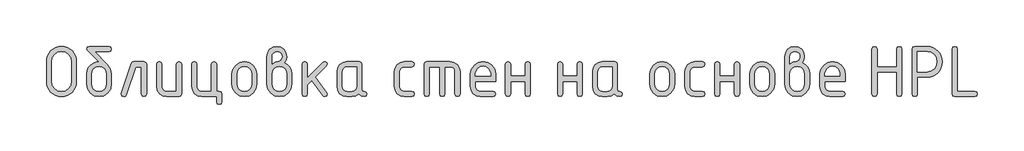
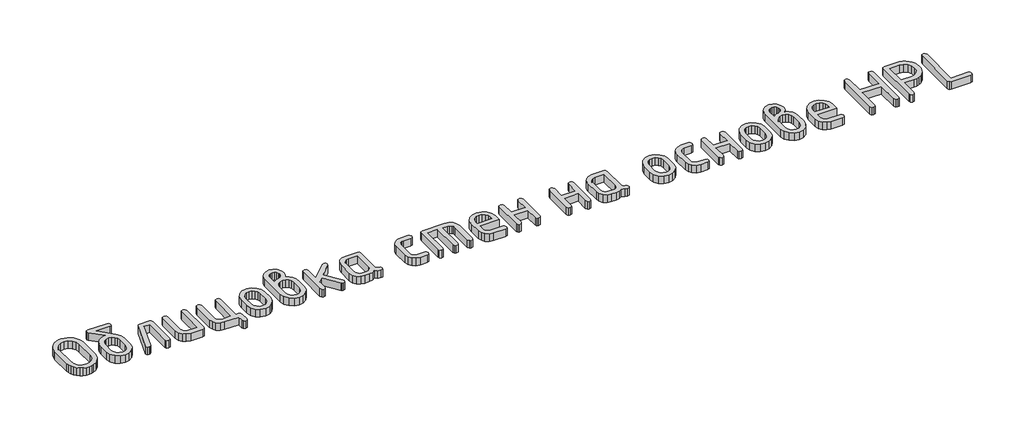
# One storey, part 19 of 33: 1 proxy.
"""IFC4 building model written with IfcOpenShell, lengths in millimetres."""

import ifcopenshell
import ifcopenshell.guid

model = None  # the IFC model being written
_history = None  # IfcOwnerHistory: only IFC2X3 demands one
_inside = {}  # id of a spatial element -> (the spatial element, [elements in it])
_under = {}  # id of a project, library or spatial element -> (it, [spatial elements below it])
_declared = {}  # id of a project -> (the project, [libraries it declares])
_typed = {}  # id of a type object -> (the type object, [elements of that type])
_made_of = {}  # id of a material, layer set ... -> (it, [elements and type objects made of it])


def new_model(schema):
    """Start an empty IFC model of exactly this schema.

    Asked for "IFC4X3", IfcOpenShell would pick the latest addendum, in which some entities
    have other attributes; the version numbers below select the first issue.
    IFC2X3 requires an IfcOwnerHistory on every rooted entity: one is made here for all.
    """
    global model, _history
    if schema == "IFC4X3":
        model = ifcopenshell.file(schema_version=(4, 3, 0, 0))
    else:
        model = ifcopenshell.file(schema=schema)
    _inside.clear()
    _under.clear()
    _declared.clear()
    _typed.clear()
    _made_of.clear()
    _history = None
    if model.schema == "IFC2X3":
        org = make("IfcOrganization", Name="unknown")
        user = make(
            "IfcPersonAndOrganization",
            ThePerson=make("IfcPerson", FamilyName="unknown"),
            TheOrganization=org,
        )
        app = make(
            "IfcApplication",
            ApplicationDeveloper=org,
            Version="unknown",
            ApplicationFullName="unknown",
            ApplicationIdentifier="unknown",
        )
        _history = make(
            "IfcOwnerHistory",
            OwningUser=user,
            OwningApplication=app,
            ChangeAction="ADDED",
            CreationDate=0,
        )
    return model


def make(cls, **values):
    """One entity of the class cls with the attributes given. An attribute that is None is left unset."""
    return model.create_entity(
        cls, **{name: value for name, value in values.items() if value is not None}
    )


def rooted(cls, **values):
    """An entity with a GlobalId (a new one), such as an element, a storey or a relation."""
    return make(cls, GlobalId=ifcopenshell.guid.new(), OwnerHistory=_history, **values)


def si_unit(unit_type, name, prefix=None):
    """IfcSIUnit, for example si_unit("LENGTHUNIT", "METRE", prefix="MILLI")."""
    return make("IfcSIUnit", UnitType=unit_type, Prefix=prefix, Name=name)


def assignment(units):
    """IfcUnitAssignment: the units of a project."""
    return None if units is None else make("IfcUnitAssignment", Units=units)


def point(xyz):
    """IfcCartesianPoint."""
    return None if xyz is None else make("IfcCartesianPoint", Coordinates=xyz)


def direction(xyz):
    """IfcDirection."""
    return None if xyz is None else make("IfcDirection", DirectionRatios=xyz)


def frame(location, z_axis=None, x_axis=None):
    """IfcAxis2Placement3D, a coordinate frame: its origin and axes. An axis left out is left unset."""
    return make(
        "IfcAxis2Placement3D",
        Location=point(location),
        Axis=direction(z_axis),
        RefDirection=direction(x_axis),
    )


def origin():
    """The frame at (0, 0, 0) with its axes left unset."""
    return frame((0.0, 0.0, 0.0))


def origin_with_axes():
    """The frame at (0, 0, 0) with the z axis (0, 0, 1) and the x axis (1, 0, 0) written out."""
    return frame((0.0, 0.0, 0.0), z_axis=(0.0, 0.0, 1.0), x_axis=(1.0, 0.0, 0.0))


def place(relative_to, where):
    """IfcLocalPlacement: puts the frame where relative to a parent placement (None: the world)."""
    return make(
        "IfcLocalPlacement", PlacementRelTo=relative_to, RelativePlacement=where
    )


def context(
    kind, dimensions, precision=None, world=None, true_north=None, identifier=None
):
    """IfcGeometricRepresentationContext, for example the 3D "Model" context."""
    return make(
        "IfcGeometricRepresentationContext",
        ContextIdentifier=identifier,
        ContextType=kind,
        CoordinateSpaceDimension=dimensions,
        Precision=precision,
        WorldCoordinateSystem=world,
        TrueNorth=true_north,
    )


def project(units=None, contexts=None):
    """IfcProject with its units and contexts."""
    return rooted(
        "IfcProject",
        Name="project",
        RepresentationContexts=contexts,
        UnitsInContext=assignment(units),
    )


def spatial(cls, under=None, at=None, **own):
    """A site, building, storey or space (cls), placed at a placement, below another one or the project."""
    s = rooted(cls, ObjectPlacement=at, **own)
    if under is not None:
        _under.setdefault(under.id(), (under, []))[1].append(s)
    return s


def polyline(points):
    """IfcPolyline through the points."""
    return make("IfcPolyline", Points=[point(p) for p in points])


def outline(outer, holes=None, kind="AREA"):
    """IfcArbitraryClosedProfileDef: a profile drawn as a closed curve; with holes, ...WithVoids."""
    if holes is None:
        return make("IfcArbitraryClosedProfileDef", ProfileType=kind, OuterCurve=outer)
    return make(
        "IfcArbitraryProfileDefWithVoids",
        ProfileType=kind,
        OuterCurve=outer,
        InnerCurves=holes,
    )


def extrude(swept, where, along, depth):
    """IfcExtrudedAreaSolid: the profile swept, set in the frame where, extruded along a direction by depth."""
    return make(
        "IfcExtrudedAreaSolid",
        SweptArea=swept,
        Position=where,
        ExtrudedDirection=direction(along),
        Depth=depth,
    )


def shape(context_of_items, identifier, shape_type, items):
    """IfcShapeRepresentation: the items that make up one representation, for example the "Body"."""
    return make(
        "IfcShapeRepresentation",
        ContextOfItems=context_of_items,
        RepresentationIdentifier=identifier,
        RepresentationType=shape_type,
        Items=items,
    )


def made_of(thing, what):
    """Note that an element or type object is made of a material, layer set ...; save() writes the relation."""
    if what is not None:
        _made_of.setdefault(what.id(), (what, []))[1].append(thing)
    return thing


def element(
    cls,
    number,
    at=None,
    inside=None,
    cuts=None,
    type_object=None,
    material=None,
    context=None,
    identifier="Body",
    shape_type=None,
    held_by="IfcProductDefinitionShape",
    body=None,
    shapes=None,
    **own,
):
    """One element of the class cls, such as IfcWall. Its Tag is "e" and its number.

    at: its placement. inside: the storey or other place that contains it. cuts: it is an
    opening in that element (IfcRelVoidsElement). A single representation is given by context,
    identifier, shape_type and body (its items); several are given by shapes. held_by: the class
    of the entity that holds the representations. save() writes the other relations.
    """
    e = rooted(cls, Tag="e%d" % number, ObjectPlacement=at, **own)
    if body is not None:
        shapes = [shape(context, identifier, shape_type, body)]
    if shapes is not None:
        e.Representation = make(held_by, Representations=shapes)
    if inside is not None:
        _inside.setdefault(inside.id(), (inside, []))[1].append(e)
    if cuts is not None:
        rooted(
            "IfcRelVoidsElement", RelatingBuildingElement=cuts, RelatedOpeningElement=e
        )
    if type_object is not None:
        _typed.setdefault(type_object.id(), (type_object, []))[1].append(e)
    return made_of(e, material)


def aggregate(whole, parts):
    """IfcRelAggregates: a whole, such as a stair, and the parts it consists of."""
    return rooted("IfcRelAggregates", RelatingObject=whole, RelatedObjects=parts)


def save(model, path):
    """Write the relations noted so far, then the file.

    IfcRelAggregates (storeys below a building ...), IfcRelContainedInSpatialStructure (elements
    in a storey), IfcRelDefinesByType, IfcRelAssociatesMaterial and IfcRelDeclares: one each for
    every whole, place, type object, material and project.
    """
    for whole, parts in _under.values():
        aggregate(whole, parts)
    for where, things in _inside.values():
        rooted(
            "IfcRelContainedInSpatialStructure",
            RelatedElements=things,
            RelatingStructure=where,
        )
    for kind, things in _typed.values():
        rooted("IfcRelDefinesByType", RelatedObjects=things, RelatingType=kind)
    for what, things in _made_of.values():
        rooted("IfcRelAssociatesMaterial", RelatedObjects=things, RelatingMaterial=what)
    for by, libraries in _declared.values():
        rooted("IfcRelDeclares", RelatingContext=by, RelatedDefinitions=libraries)
    model.write(path)


model = new_model("IFC4")

# Units and contexts
model_context = context("Model", 3, world=origin())
ifc_project = project(units=[si_unit("LENGTHUNIT", "METRE", prefix="MILLI")], contexts=[model_context])

# Site, building, storey
site = spatial("IfcSite", under=ifc_project)
building = spatial("IfcBuilding", under=site)
storey = spatial("IfcBuildingStorey", under=building, Elevation=0.0)

# Proxy
placement = place(None, origin())
element("IfcBuildingElementProxy", 1, Name="Generic Models", at=placement, inside=storey, context=model_context, shape_type="SweptSolid", body=[
    extrude(outline(polyline([(34927.7086979, -3146.7716268), (34926.0543021, -3165.0052883), (34921.0911145, -3181.856924), (34912.8191353, -3197.3265339), (34901.2383644, -3211.414118), (34887.3172287, -3223.1361178), (34872.0241549, -3231.5089749), (34855.3591432, -3236.5326891), (34837.3221934, -3238.2072605), (34819.2852436, -3236.5326891), (34802.6202318, -3231.5089749), (34787.327158, -3223.1361178), (34773.4060223, -3211.414118), (34761.8252514, -3197.3265339), (34753.5532722, -3181.856924), (34748.5900847, -3165.0052883), (34746.9356888, -3146.7716268), (34746.9356888, -3024.9112502), (34748.5900847, -3006.6775887), (34753.5532722, -2989.825953), (34761.8252514, -2974.3563431), (34773.4060223, -2960.268759), (34787.327158, -2948.5467592), (34802.6202318, -2940.1739022), (34819.2852436, -2935.150188), (34837.3221934, -2933.4756166), (34855.457499, -2935.1426222), (34872.1754716, -2940.1436388), (34887.4761112, -2948.4786667), (34901.3594178, -2960.1477056), (34912.8872278, -2974.1974606), (34921.1213779, -2989.6746363), (34926.0618679, -3006.5792329), (34927.7086979, -3024.9112502), (34927.7086979, -3146.7716268)]), holes=[polyline([(34896.7190392, -3146.5295201), (34896.7190392, -3025.1533569), (34892.4115573, -3001.6286551), (34879.4891118, -2982.0583628), (34860.3324185, -2968.8635472), (34837.3221934, -2964.4652753), (34814.3119683, -2968.8635472), (34795.1552749, -2982.0583628), (34782.2328294, -3001.6286551), (34777.9253475, -3025.1533569), (34777.9253475, -3146.5295201), (34782.2328294, -3170.054222), (34795.1552749, -3189.6245143), (34814.3119683, -3202.8193299), (34837.3221934, -3207.2176018), (34860.3324185, -3202.8193299), (34879.4891118, -3189.6245143), (34892.4115573, -3170.054222), (34896.7190392, -3146.5295201)])]), origin_with_axes(), (0.0, 0.0, 1.0), 50.0),
    extrude(outline(polyline([(35139.4713657, -3101.3362679), (35139.4713657, -3162.185754), (35133.9937014, -3191.4100512), (35117.5607085, -3215.9737944), (35093.3601255, -3232.6488939), (35064.5796905, -3238.2072605), (35035.7992555, -3232.6388062), (35011.5986724, -3215.9334433), (34995.1656796, -3191.3192612), (34989.6880153, -3162.0243495), (34989.6880153, -3101.0941612), (34992.2805746, -3079.6626736), (35000.0582526, -3061.2877832), (35013.0210493, -3045.96949), (35031.1689647, -3033.7077939), (35046.8857252, -3027.1103861), (35061.4323033, -3024.9112502), (34994.8529584, -2957.9283942), (34989.6880153, -2948.9704459), (34993.4204937, -2937.3493239), (35004.617929, -2933.4756166), (35124.541452, -2933.4756166), (35135.7388873, -2937.3493239), (35139.4713657, -2948.9704459), (35135.7388873, -2960.5915679), (35124.541452, -2964.4652753), (35039.5619973, -2964.4652753), (35114.9378859, -3044.8447025), (35133.3379957, -3072.1220584), (35139.4713657, -3101.3362679)]), holes=[polyline([(35108.481707, -3161.7015405), (35108.481707, -3101.0941612), (35105.2637053, -3083.6624781), (35095.6097003, -3068.9746712), (35081.4161945, -3058.9877694), (35064.5796905, -3055.6588022), (35047.7431865, -3058.9877694), (35033.5496807, -3068.9746712), (35023.8956757, -3083.6624781), (35020.677674, -3101.0941612), (35020.677674, -3161.7015405), (35023.8654123, -3179.294628), (35033.4286273, -3193.982435), (35047.5918698, -3203.9088101), (35064.5796905, -3207.2176018), (35081.4161945, -3203.8886345), (35095.6097003, -3193.9017328), (35105.2637053, -3179.1937502), (35108.481707, -3161.7015405)])]), origin_with_axes(), (0.0, 0.0, 1.0), 50.0),
    extrude(outline(polyline([(35274.8090158, -3026.4445927), (35335.7392041, -3026.4445927), (35347.3603261, -3030.2174222), (35351.2340335, -3041.5359108), (35351.2340335, -3223.1159423), (35347.3603261, -3234.4344309), (35335.7392041, -3238.2072605), (35324.1180821, -3234.4344309), (35320.2443748, -3223.1159423), (35320.2443748, -3057.4342514), (35285.6231154, -3057.4342514), (35228.4859322, -3227.9580765), (35223.1797602, -3235.6449645), (35214.2016364, -3238.2072605), (35202.8226211, -3234.3739042), (35199.029616, -3222.8738356), (35199.7559361, -3218.2738081), (35259.6369954, -3038.7920348), (35265.5282586, -3029.5314532), (35274.8090158, -3026.4445927)])), origin_with_axes(), (0.0, 0.0, 1.0), 50.0),
    extrude(outline(polyline([(35562.9967012, -3041.5359108), (35562.9967012, -3223.1159423), (35559.2440472, -3234.4344309), (35547.9860853, -3238.2072605), (35473.0944101, -3238.2072605), (35449.8723416, -3233.8291641), (35430.5643316, -3220.6948752), (35417.551096, -3201.1851096), (35413.2133509, -3177.6805833), (35413.2133509, -3041.5359108), (35417.0870582, -3030.2174222), (35428.7081802, -3026.4445927), (35440.3293022, -3030.2174222), (35444.2030095, -3041.5359108), (35444.2030095, -3177.1156677), (35446.3617944, -3188.5451219), (35452.8381488, -3198.3000047), (35462.3206616, -3204.9882025), (35473.4979213, -3207.2176018), (35532.0070425, -3207.2176018), (35532.0070425, -3041.5359108), (35535.8807499, -3030.2174222), (35547.5018719, -3026.4445927), (35559.1229939, -3030.2174222), (35562.9967012, -3041.5359108)])), origin_with_axes(), (0.0, 0.0, 1.0), 50.0),
    extrude(outline(polyline([(35790.2541984, -3207.2176018), (35801.8753204, -3211.0913091), (35805.7490277, -3222.7124311), (35805.7490277, -3269.1969192), (35801.8753204, -3280.8180412), (35790.2541984, -3284.6917485), (35778.6330763, -3280.8180412), (35774.759369, -3269.1969192), (35774.759369, -3238.2072605), (35684.8570779, -3238.2072605), (35661.6350094, -3233.7989008), (35642.3269994, -3220.5738218), (35629.3137638, -3201.0337929), (35624.9760186, -3177.6805833), (35624.9760186, -3041.5359108), (35628.849726, -3030.2174222), (35640.470848, -3026.4445927), (35652.09197, -3030.2174222), (35655.9656773, -3041.5359108), (35655.9656773, -3177.1156677), (35658.1244621, -3188.5451219), (35664.6008166, -3198.3000047), (35674.0833294, -3204.9882025), (35685.2605891, -3207.2176018), (35743.7697103, -3207.2176018), (35743.7697103, -3041.5359108), (35747.6434176, -3030.2174222), (35759.2645397, -3026.4445927), (35770.8856617, -3030.2174222), (35774.759369, -3041.5359108), (35774.759369, -3207.2176018), (35790.2541984, -3207.2176018)])), origin_with_axes(), (0.0, 0.0, 1.0), 50.0),
    extrude(outline(polyline([(35867.7283451, -3162.5892651), (35867.7283451, -3102.062588), (35873.2060094, -3072.9896074), (35889.6390022, -3048.5570054), (35913.8395853, -3031.9726959), (35942.6200203, -3026.4445927), (35971.7030887, -3031.9121692), (35995.8431451, -3048.3148987), (36012.0945579, -3072.686974), (36017.5116955, -3102.062588), (36017.5116955, -3162.5892651), (36012.0340312, -3191.6622457), (35995.6010384, -3216.0948477), (35971.4004553, -3232.6791573), (35942.6200203, -3238.2072605), (35913.8395853, -3232.6791573), (35889.6390022, -3216.0948477), (35873.2060094, -3191.6622457), (35867.7283451, -3162.5892651)]), holes=[polyline([(35986.5220368, -3161.7015405), (35986.5220368, -3101.0941612), (35983.3040351, -3083.6624781), (35973.6500301, -3068.9746712), (35959.4565243, -3058.9877694), (35942.6200203, -3055.6588022), (35925.7835163, -3058.9877694), (35911.5900105, -3068.9746712), (35901.9360055, -3083.6624781), (35898.7180038, -3101.0941612), (35898.7180038, -3161.7015405), (35901.9057421, -3179.294628), (35911.4689571, -3193.982435), (35925.6321996, -3203.9088101), (35942.6200203, -3207.2176018), (35959.4565243, -3203.8886345), (35973.6500301, -3193.9017328), (35983.3040351, -3179.1937502), (35986.5220368, -3161.7015405)])]), origin_with_axes(), (0.0, 0.0, 1.0), 50.0),
    extrude(outline(polyline([(36184.3232177, -3031.1253224), (36202.8544687, -3042.5144255), (36217.1286767, -3059.0886472), (36226.2379416, -3079.1734163), (36229.2743633, -3101.0941612), (36229.2743633, -3162.0243495), (36223.796699, -3191.4705779), (36207.3637061, -3216.0544966), (36183.1631231, -3232.6690695), (36154.3826881, -3238.2072605), (36125.4509364, -3232.6388062), (36101.2806167, -3215.9334433), (36084.9384138, -3191.3192612), (36079.4910129, -3162.0243495), (36079.4910129, -2994.4058049), (36083.8186703, -2970.8004008), (36096.8016425, -2951.1494063), (36115.9785114, -2937.894064), (36138.8878587, -2933.4756166), (36161.8980838, -2937.9243274), (36181.0547771, -2951.2704597), (36193.9772227, -2970.9517175), (36198.2847046, -2994.4058049), (36194.7943328, -3015.1261041), (36184.3232177, -3031.1253224)]), holes=[polyline([(36198.2847046, -3161.7015405), (36198.2847046, -3101.0941612), (36195.0969662, -3083.6624781), (36185.5337512, -3068.9746712), (36171.3705088, -3058.9877694), (36154.3826881, -3055.6588022), (36137.3948673, -3058.9877694), (36123.2316249, -3068.9746712), (36113.6684099, -3083.6624781), (36110.4806716, -3101.0941612), (36110.4806716, -3161.7015405), (36113.6684099, -3179.294628), (36123.2316249, -3193.982435), (36137.3948673, -3203.9088101), (36154.3826881, -3207.2176018), (36171.3705088, -3203.8886345), (36185.5337512, -3193.9017328), (36195.0969662, -3179.1937502), (36198.2847046, -3161.7015405)]), polyline([(36110.4806716, -3041.2131019), (36128.9614837, -3029.8946133), (36145.828251, -3026.1217837), (36154.9072526, -3023.4787855), (36163.259934, -3015.5497908), (36169.1310217, -3005.6839424), (36171.088051, -2995.7777429), (36168.9090906, -2983.9750409), (36162.3722095, -2974.2302459), (36152.6072389, -2967.6933647), (36140.7440102, -2965.5144044), (36129.0926248, -2967.7236281), (36119.3175664, -2974.3512992), (36112.6898953, -2984.1263576), (36110.4806716, -2995.7777429), (36110.4806716, -3041.2131019)])]), origin_with_axes(), (0.0, 0.0, 1.0), 50.0),
    extrude(outline(polyline([(36322.2433394, -3125.8697477), (36417.4719781, -3030.8025134), (36428.2860777, -3026.4445927), (36439.665093, -3030.2174222), (36443.4580981, -3041.5359108), (36438.8580707, -3052.1079038), (36372.2787258, -3118.6065464), (36440.4721154, -3214.4001008), (36443.4580981, -3223.2773468), (36439.665093, -3234.474782), (36428.2860777, -3238.2072605), (36421.1439298, -3236.5932157), (36415.6965289, -3231.7510816), (36350.489122, -3140.1540435), (36322.2433394, -3168.3998261), (36322.2433394, -3223.0352401), (36318.369632, -3234.4142554), (36306.74851, -3238.2072605), (36295.127388, -3234.4344309), (36291.2536807, -3223.1159423), (36291.2536807, -3041.5359108), (36295.127388, -3030.2174222), (36306.74851, -3026.4445927), (36318.369632, -3030.2174222), (36322.2433394, -3041.5359108), (36322.2433394, -3125.8697477)])), origin_with_axes(), (0.0, 0.0, 1.0), 50.0),
    extrude(outline(polyline([(36683.0630374, -3223.1159423), (36679.2902078, -3234.4344309), (36667.9717192, -3238.2072605), (36648.8251137, -3234.1923242), (36633.5118644, -3222.1475155), (36615.0915789, -3234.1923242), (36592.9186396, -3238.2072605), (36562.8974077, -3238.2072605), (36539.6753392, -3233.8291641), (36520.3673292, -3220.6948752), (36507.3540936, -3201.1851096), (36503.0163484, -3177.6805833), (36503.0163484, -3086.9712698), (36507.3540936, -3063.4667435), (36520.3673292, -3043.9569779), (36539.6753392, -3030.822689), (36562.8974077, -3026.4445927), (36637.7890829, -3026.4445927), (36649.0470448, -3030.2174222), (36652.7996988, -3041.5359108), (36652.7996988, -3192.8526037), (36656.5826161, -3204.1710923), (36667.9313681, -3207.9439219), (36679.2801201, -3211.736927), (36683.0630374, -3223.1159423)]), holes=[polyline([(36621.8100401, -3057.4342514), (36563.3009189, -3057.4342514), (36552.0227814, -3059.6232995), (36542.5604442, -3066.190444), (36536.1446164, -3075.8646246), (36534.0060071, -3087.374781), (36534.0060071, -3177.2770721), (36536.1647919, -3188.6863508), (36542.6411464, -3198.3807069), (36552.1236592, -3205.008378), (36563.3009189, -3207.2176018), (36592.5151284, -3207.2176018), (36603.7932659, -3205.0285536), (36613.2556031, -3198.4614091), (36619.6714309, -3188.7872286), (36621.8100401, -3177.2770721), (36621.8100401, -3057.4342514)])]), origin_with_axes(), (0.0, 0.0, 1.0), 50.0),
    extrude(outline(polyline([(36880.0571959, -3087.374781), (36880.0571959, -3177.2770721), (36882.296683, -3188.6863508), (36889.0151442, -3198.3807069), (36898.8204659, -3205.008378), (36910.3205345, -3207.2176018), (36955.8365957, -3207.2176018), (36967.1550844, -3211.0913091), (36970.9279139, -3222.7124311), (36967.1550844, -3234.3335531), (36955.8365957, -3238.2072605), (36910.3205345, -3238.2072605), (36886.7756571, -3233.8291641), (36866.9834337, -3220.6948752), (36853.5465113, -3201.1851096), (36849.0675372, -3177.6805833), (36849.0675372, -3086.9712698), (36853.5465113, -3063.4667435), (36866.9834337, -3043.9569779), (36886.7756571, -3030.822689), (36910.3205345, -3026.4445927), (36955.8365957, -3026.4445927), (36967.1550844, -3030.3183), (36970.9279139, -3041.939422), (36967.1550844, -3053.560544), (36955.8365957, -3057.4342514), (36910.3205345, -3057.4342514), (36898.6691492, -3059.6232995), (36888.8940908, -3066.190444), (36882.2664197, -3075.8646246), (36880.0571959, -3087.374781)])), origin_with_axes(), (0.0, 0.0, 1.0), 50.0),
    extrude(outline(polyline([(37045.3353757, -3026.4445927), (37184.7888398, -3026.4445927), (37208.6767017, -3030.8529523), (37228.6908563, -3044.0780313), (37242.248832, -3063.6180602), (37246.7681572, -3086.9712698), (37246.7681572, -3223.1159423), (37242.8944499, -3234.4344309), (37231.2733279, -3238.2072605), (37219.6522058, -3234.4344309), (37215.7784985, -3223.1159423), (37215.7784985, -3087.5361855), (37213.5490992, -3075.8040979), (37206.8609014, -3066.1097418), (37196.8840875, -3059.603124), (37184.7888398, -3057.4342514), (37153.7991811, -3057.4342514), (37153.7991811, -3223.1159423), (37149.9254738, -3234.4344309), (37138.3043518, -3238.2072605), (37126.6832297, -3234.4344309), (37122.8095224, -3223.1159423), (37122.8095224, -3057.4342514), (37060.830205, -3057.4342514), (37060.830205, -3223.1159423), (37056.9564977, -3234.4344309), (37045.3353757, -3238.2072605), (37033.7142537, -3234.4344309), (37029.8405463, -3223.1159423), (37029.8405463, -3041.5359108), (37033.7142537, -3030.2174222), (37045.3353757, -3026.4445927)])), origin_with_axes(), (0.0, 0.0, 1.0), 50.0),
    extrude(outline(polyline([(37339.7371333, -3145.2382844), (37339.7371333, -3176.2279431), (37341.9766204, -3188.0205573), (37348.6950815, -3198.057898), (37358.5004032, -3204.9276758), (37370.0004719, -3207.2176018), (37445.7798717, -3207.2176018), (37457.158887, -3211.0913091), (37460.9518921, -3222.7124311), (37457.158887, -3234.3335531), (37445.7798717, -3238.2072605), (37370.0004719, -3238.2072605), (37346.4555945, -3233.8291641), (37326.663371, -3220.6948752), (37313.2264487, -3201.1851096), (37308.7474746, -3177.6805833), (37308.7474746, -3102.062588), (37314.3663678, -3072.9896074), (37331.2230474, -3048.5570054), (37355.948195, -3031.9726959), (37385.1724923, -3026.4445927), (37414.6187207, -3031.8112914), (37439.0412349, -3047.9113875), (37455.4742278, -3071.8396005), (37460.9518921, -3100.69065), (37460.9518921, -3145.2382844), (37339.7371333, -3145.2382844)]), holes=[polyline([(37385.1724923, -3053.6412463), (37367.7408093, -3056.9702135), (37353.0530023, -3066.9571153), (37343.0661005, -3081.6449222), (37339.7371333, -3099.0766053), (37339.7371333, -3114.2486257), (37430.6078513, -3114.2486257), (37430.6078513, -3099.0766053), (37427.278884, -3081.6449222), (37417.2919823, -3066.9571153), (37402.6041753, -3056.9702135), (37385.1724923, -3053.6412463)])]), origin_with_axes(), (0.0, 0.0, 1.0), 50.0),
    extrude(outline(polyline([(37551.4998011, -3145.2382844), (37551.4998011, -3222.7124311), (37547.6260937, -3234.3335531), (37536.0049717, -3238.2072605), (37524.3838497, -3234.4344309), (37520.5101424, -3223.1159423), (37520.5101424, -3041.5359108), (37524.3838497, -3030.2174222), (37536.0049717, -3026.4445927), (37547.6260937, -3030.0963689), (37551.4998011, -3041.0516974), (37551.4998011, -3114.2486257), (37639.3038341, -3114.2486257), (37639.3038341, -3041.0516974), (37643.1775414, -3030.0963689), (37654.7986634, -3026.4445927), (37666.4197854, -3030.2174222), (37670.2934928, -3041.5359108), (37670.2934928, -3223.1159423), (37666.4197854, -3234.4344309), (37654.7986634, -3238.2072605), (37643.1775414, -3234.3335531), (37639.3038341, -3222.7124311), (37639.3038341, -3145.2382844), (37551.4998011, -3145.2382844)])), origin_with_axes(), (0.0, 0.0, 1.0), 50.0),
    extrude(outline(polyline([(37866.5613312, -3145.2382844), (37866.5613312, -3222.7124311), (37862.6876239, -3234.3335531), (37851.0665018, -3238.2072605), (37839.4453798, -3234.4344309), (37835.5716725, -3223.1159423), (37835.5716725, -3041.5359108), (37839.4453798, -3030.2174222), (37851.0665018, -3026.4445927), (37862.6876239, -3030.0963689), (37866.5613312, -3041.0516974), (37866.5613312, -3114.2486257), (37954.3653642, -3114.2486257), (37954.3653642, -3041.0516974), (37958.2390715, -3030.0963689), (37969.8601935, -3026.4445927), (37981.4813155, -3030.2174222), (37985.3550229, -3041.5359108), (37985.3550229, -3223.1159423), (37981.4813155, -3234.4344309), (37969.8601935, -3238.2072605), (37958.2390715, -3234.3335531), (37954.3653642, -3222.7124311), (37954.3653642, -3145.2382844), (37866.5613312, -3145.2382844)])), origin_with_axes(), (0.0, 0.0, 1.0), 50.0),
    extrude(outline(polyline([(38227.3810292, -3223.1159423), (38223.6081997, -3234.4344309), (38212.289711, -3238.2072605), (38193.1431055, -3234.1923242), (38177.8298562, -3222.1475155), (38159.4095708, -3234.1923242), (38137.2366314, -3238.2072605), (38107.2153995, -3238.2072605), (38083.9933311, -3233.8291641), (38064.685321, -3220.6948752), (38051.6720855, -3201.1851096), (38047.3343403, -3177.6805833), (38047.3343403, -3086.9712698), (38051.6720855, -3063.4667435), (38064.685321, -3043.9569779), (38083.9933311, -3030.822689), (38107.2153995, -3026.4445927), (38182.1070747, -3026.4445927), (38193.3650367, -3030.2174222), (38197.1176906, -3041.5359108), (38197.1176906, -3192.8526037), (38200.900608, -3204.1710923), (38212.2493599, -3207.9439219), (38223.5981119, -3211.736927), (38227.3810292, -3223.1159423)]), holes=[polyline([(38166.1280319, -3057.4342514), (38107.6189107, -3057.4342514), (38096.3407732, -3059.6232995), (38086.878436, -3066.190444), (38080.4626082, -3075.8646246), (38078.323999, -3087.374781), (38078.323999, -3177.2770721), (38080.4827838, -3188.6863508), (38086.9591382, -3198.3807069), (38096.441651, -3205.008378), (38107.6189107, -3207.2176018), (38136.8331202, -3207.2176018), (38148.1112577, -3205.0285536), (38157.5735949, -3198.4614091), (38163.9894227, -3188.7872286), (38166.1280319, -3177.2770721), (38166.1280319, -3057.4342514)])]), origin_with_axes(), (0.0, 0.0, 1.0), 50.0),
    extrude(outline(polyline([(38393.3855291, -3162.5892651), (38393.3855291, -3102.062588), (38398.8631934, -3072.9896074), (38415.2961862, -3048.5570054), (38439.4967693, -3031.9726959), (38468.2772043, -3026.4445927), (38497.3602726, -3031.9121692), (38521.500329, -3048.3148987), (38537.7517418, -3072.686974), (38543.1688794, -3102.062588), (38543.1688794, -3162.5892651), (38537.6912152, -3191.6622457), (38521.2582223, -3216.0948477), (38497.0576392, -3232.6791573), (38468.2772043, -3238.2072605), (38439.4967693, -3232.6791573), (38415.2961862, -3216.0948477), (38398.8631934, -3191.6622457), (38393.3855291, -3162.5892651)]), holes=[polyline([(38512.1792208, -3161.7015405), (38512.1792208, -3101.0941612), (38508.9612191, -3083.6624781), (38499.3072141, -3068.9746712), (38485.1137083, -3058.9877694), (38468.2772043, -3055.6588022), (38451.4407002, -3058.9877694), (38437.2471944, -3068.9746712), (38427.5931894, -3083.6624781), (38424.3751878, -3101.0941612), (38424.3751878, -3161.7015405), (38427.5629261, -3179.294628), (38437.1261411, -3193.982435), (38451.2893835, -3203.9088101), (38468.2772043, -3207.2176018), (38485.1137083, -3203.8886345), (38499.3072141, -3193.9017328), (38508.9612191, -3179.1937502), (38512.1792208, -3161.7015405)])]), origin_with_axes(), (0.0, 0.0, 1.0), 50.0),
    extrude(outline(polyline([(38636.1378555, -3087.374781), (38636.1378555, -3177.2770721), (38638.3773426, -3188.6863508), (38645.0958038, -3198.3807069), (38654.9011255, -3205.008378), (38666.4011941, -3207.2176018), (38711.9172553, -3207.2176018), (38723.235744, -3211.0913091), (38727.0085735, -3222.7124311), (38723.235744, -3234.3335531), (38711.9172553, -3238.2072605), (38666.4011941, -3238.2072605), (38642.8563167, -3233.8291641), (38623.0640933, -3220.6948752), (38609.627171, -3201.1851096), (38605.1481968, -3177.6805833), (38605.1481968, -3086.9712698), (38609.627171, -3063.4667435), (38623.0640933, -3043.9569779), (38642.8563167, -3030.822689), (38666.4011941, -3026.4445927), (38711.9172553, -3026.4445927), (38723.235744, -3030.3183), (38727.0085735, -3041.939422), (38723.235744, -3053.560544), (38711.9172553, -3057.4342514), (38666.4011941, -3057.4342514), (38654.7498088, -3059.6232995), (38644.9747504, -3066.190444), (38638.3470793, -3075.8646246), (38636.1378555, -3087.374781)])), origin_with_axes(), (0.0, 0.0, 1.0), 50.0),
    extrude(outline(polyline([(38816.9108646, -3145.2382844), (38816.9108646, -3222.7124311), (38813.0371573, -3234.3335531), (38801.4160353, -3238.2072605), (38789.7949133, -3234.4344309), (38785.9212059, -3223.1159423), (38785.9212059, -3041.5359108), (38789.7949133, -3030.2174222), (38801.4160353, -3026.4445927), (38813.0371573, -3030.0963689), (38816.9108646, -3041.0516974), (38816.9108646, -3114.2486257), (38904.7148976, -3114.2486257), (38904.7148976, -3041.0516974), (38908.5886049, -3030.0963689), (38920.209727, -3026.4445927), (38931.830849, -3030.2174222), (38935.7045563, -3041.5359108), (38935.7045563, -3223.1159423), (38931.830849, -3234.4344309), (38920.209727, -3238.2072605), (38908.5886049, -3234.3335531), (38904.7148976, -3222.7124311), (38904.7148976, -3145.2382844), (38816.9108646, -3145.2382844)])), origin_with_axes(), (0.0, 0.0, 1.0), 50.0),
    extrude(outline(polyline([(38997.6838737, -3162.5892651), (38997.6838737, -3102.062588), (39003.161538, -3072.9896074), (39019.5945308, -3048.5570054), (39043.7951139, -3031.9726959), (39072.5755489, -3026.4445927), (39101.6586173, -3031.9121692), (39125.7986737, -3048.3148987), (39142.0500865, -3072.686974), (39147.4672241, -3102.062588), (39147.4672241, -3162.5892651), (39141.9895598, -3191.6622457), (39125.556567, -3216.0948477), (39101.3559839, -3232.6791573), (39072.5755489, -3238.2072605), (39043.7951139, -3232.6791573), (39019.5945308, -3216.0948477), (39003.161538, -3191.6622457), (38997.6838737, -3162.5892651)]), holes=[polyline([(39116.4775654, -3161.7015405), (39116.4775654, -3101.0941612), (39113.2595637, -3083.6624781), (39103.6055587, -3068.9746712), (39089.4120529, -3058.9877694), (39072.5755489, -3055.6588022), (39055.7390449, -3058.9877694), (39041.5455391, -3068.9746712), (39031.8915341, -3083.6624781), (39028.6735324, -3101.0941612), (39028.6735324, -3161.7015405), (39031.8612707, -3179.294628), (39041.4244857, -3193.982435), (39055.5877282, -3203.9088101), (39072.5755489, -3207.2176018), (39089.4120529, -3203.8886345), (39103.6055587, -3193.9017328), (39113.2595637, -3179.1937502), (39116.4775654, -3161.7015405)])]), origin_with_axes(), (0.0, 0.0, 1.0), 50.0),
    extrude(outline(polyline([(39314.2787463, -3031.1253224), (39332.8099973, -3042.5144255), (39347.0842053, -3059.0886472), (39356.1934702, -3079.1734163), (39359.2298919, -3101.0941612), (39359.2298919, -3162.0243495), (39353.7522276, -3191.4705779), (39337.3192347, -3216.0544966), (39313.1186517, -3232.6690695), (39284.3382167, -3238.2072605), (39255.406465, -3232.6388062), (39231.2361453, -3215.9334433), (39214.8939424, -3191.3192612), (39209.4465415, -3162.0243495), (39209.4465415, -2994.4058049), (39213.7741989, -2970.8004008), (39226.7571711, -2951.1494063), (39245.93404, -2937.894064), (39268.8433873, -2933.4756166), (39291.8536124, -2937.9243274), (39311.0103057, -2951.2704597), (39323.9327513, -2970.9517175), (39328.2402332, -2994.4058049), (39324.7498614, -3015.1261041), (39314.2787463, -3031.1253224)]), holes=[polyline([(39240.4362002, -3041.2131019), (39258.9170123, -3029.8946133), (39275.7837796, -3026.1217837), (39284.8627812, -3023.4787855), (39293.2154626, -3015.5497908), (39299.0865503, -3005.6839424), (39301.0435796, -2995.7777429), (39298.8646192, -2983.9750409), (39292.3277381, -2974.2302459), (39282.5627675, -2967.6933647), (39270.6995388, -2965.5144044), (39259.0481534, -2967.7236281), (39249.273095, -2974.3512992), (39242.6454239, -2984.1263576), (39240.4362002, -2995.7777429), (39240.4362002, -3041.2131019)]), polyline([(39328.2402332, -3161.7015405), (39328.2402332, -3101.0941612), (39325.0524948, -3083.6624781), (39315.4892798, -3068.9746712), (39301.3260374, -3058.9877694), (39284.3382167, -3055.6588022), (39267.3503959, -3058.9877694), (39253.1871535, -3068.9746712), (39243.6239385, -3083.6624781), (39240.4362002, -3101.0941612), (39240.4362002, -3161.7015405), (39243.6239385, -3179.294628), (39253.1871535, -3193.982435), (39267.3503959, -3203.9088101), (39284.3382167, -3207.2176018), (39301.3260374, -3203.8886345), (39315.4892798, -3193.9017328), (39325.0524948, -3179.1937502), (39328.2402332, -3161.7015405)])]), origin_with_axes(), (0.0, 0.0, 1.0), 50.0),
    extrude(outline(polyline([(39452.198868, -3145.2382844), (39452.198868, -3176.2279431), (39454.438355, -3188.0205573), (39461.1568162, -3198.057898), (39470.9621379, -3204.9276758), (39482.4622065, -3207.2176018), (39558.2416063, -3207.2176018), (39569.6206216, -3211.0913091), (39573.4136267, -3222.7124311), (39569.6206216, -3234.3335531), (39558.2416063, -3238.2072605), (39482.4622065, -3238.2072605), (39458.9173291, -3233.8291641), (39439.1251057, -3220.6948752), (39425.6881834, -3201.1851096), (39421.2092093, -3177.6805833), (39421.2092093, -3102.062588), (39426.8281024, -3072.9896074), (39443.684782, -3048.5570054), (39468.4099296, -3031.9726959), (39497.6342269, -3026.4445927), (39527.0804554, -3031.8112914), (39551.5029696, -3047.9113875), (39567.9359624, -3071.8396005), (39573.4136267, -3100.69065), (39573.4136267, -3145.2382844), (39452.198868, -3145.2382844)]), holes=[polyline([(39497.6342269, -3053.6412463), (39480.2025439, -3056.9702135), (39465.5147369, -3066.9571153), (39455.5278352, -3081.6449222), (39452.198868, -3099.0766053), (39452.198868, -3114.2486257), (39543.0695859, -3114.2486257), (39543.0695859, -3099.0766053), (39539.7406187, -3081.6449222), (39529.7537169, -3066.9571153), (39515.0659099, -3056.9702135), (39497.6342269, -3053.6412463)])]), origin_with_axes(), (0.0, 0.0, 1.0), 50.0),
    extrude(outline(polyline([(39736.2707394, -3222.9545378), (39736.2707394, -2948.7283392), (39740.1444467, -2937.2887972), (39751.7655687, -2933.4756166), (39763.3866907, -2937.3493239), (39767.2603981, -2948.9704459), (39767.2603981, -3057.4342514), (39886.0540897, -3057.4342514), (39886.0540897, -2948.9704459), (39889.9277971, -2937.3493239), (39901.5489191, -2933.4756166), (39913.1700411, -2937.2887972), (39917.0437484, -2948.7283392), (39917.0437484, -3222.9545378), (39913.1700411, -3234.3940798), (39901.5489191, -3238.2072605), (39889.9277971, -3234.4546065), (39886.0540897, -3223.1966445), (39886.0540897, -3088.4239101), (39767.2603981, -3088.4239101), (39767.2603981, -3223.1966445), (39763.3866907, -3234.4546065), (39751.7655687, -3238.2072605), (39740.1444467, -3234.3940798), (39736.2707394, -3222.9545378)])), origin_with_axes(), (0.0, 0.0, 1.0), 50.0),
    extrude(outline(polyline([(39994.114384, -2933.4756166), (40069.4095704, -2933.4756166), (40087.544876, -2935.1703635), (40104.2628486, -2940.2546044), (40119.5634882, -2948.7283392), (40133.4467948, -2960.5915679), (40144.9746048, -2974.8758638), (40153.2087549, -2990.6127998), (40158.1492449, -3007.8023761), (40159.7960749, -3026.4445927), (40158.234991, -3046.1359383), (40153.5517394, -3063.8904303), (40145.74632, -3079.7080686), (40134.8187328, -3093.5888532), (40121.3944202, -3104.8871663), (40106.0988245, -3112.9573899), (40088.9319457, -3117.7995241), (40069.8937838, -3119.4135688), (40010.0127245, -3119.4135688), (40010.0127245, -3223.358049), (40006.1390172, -3234.4949576), (39994.5178952, -3238.2072605), (39982.8967732, -3234.3940798), (39979.0230658, -3222.9545378), (39979.0230658, -2948.7283392), (39982.7958954, -2937.2887972), (39994.114384, -2933.4756166)]), holes=[polyline([(40010.0127245, -2964.4652753), (40010.0127245, -3088.4239101), (40069.4095704, -3088.4239101), (40092.4197955, -3083.9348482), (40111.5764888, -3070.4676625), (40124.4989344, -3050.4837713), (40128.8064162, -3026.4445927), (40124.4989344, -3002.4054141), (40111.5764888, -2982.4215228), (40092.4197955, -2968.9543372), (40069.4095704, -2964.4652753), (40010.0127245, -2964.4652753)])]), origin_with_axes(), (0.0, 0.0, 1.0), 50.0),
    extrude(outline(polyline([(40221.7753923, -2948.7283392), (40225.6490996, -2937.2887972), (40237.2702217, -2933.4756166), (40248.8913437, -2937.2686217), (40252.765051, -2948.647637), (40252.765051, -3207.2176018), (40358.8077894, -3207.2176018), (40370.1868047, -3211.0913091), (40373.9798098, -3222.7124311), (40370.1868047, -3234.3335531), (40358.8077894, -3238.2072605), (40237.2702217, -3238.2072605), (40225.6490996, -3234.3940798), (40221.7753923, -3222.9545378), (40221.7753923, -2948.7283392)])), origin_with_axes(), (0.0, 0.0, 1.0), 50.0),
])

save(model, "model.ifc")
